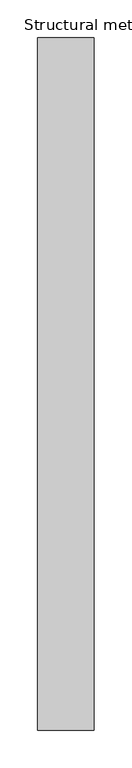
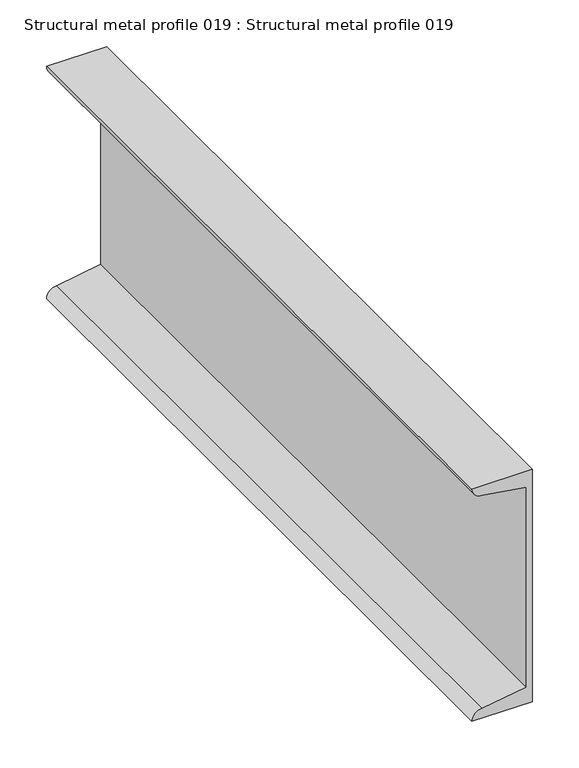
"""IFC4 building model written with IfcOpenShell, lengths in millimetres: proxy geometry, Structural metal profile 019 : Structural metal profile 019."""

from ifc_helpers import new_model, si_unit, point, frame, frame_2d, origin, place, context, project, spatial, polyline, circle_curve, trimmed, segment, composite_curve, outline, extrude, source, transform, mapped, element, save


def structural_metal_profile_019_structural_metal_profile_019_61eedf92(model_context):
    return source(origin(), model_context, "Body", "SweptSolid", [
        extrude(outline(composite_curve([segment(trimmed(circle_curve(frame_2d((2901.95, 39219.7204168)), 12.7254), [point((2901.95, 39206.9950168))], [point((2889.2246, 39219.7204168))], False, "CARTESIAN"), True, "CONTINUOUS"), segment(polyline([(2889.2246, 39219.7204168), (2880.5470649, 39274.5082168), (2618.5529351, 39274.5082168), (2609.8754, 39219.7204168)]), True, "CONTINUOUS"), segment(trimmed(circle_curve(frame_2d((2597.15, 39219.7204168)), 12.7254), [point((2609.8754, 39219.7204168))], [point((2597.15, 39206.9950168))], False, "CARTESIAN"), True, "CONTINUOUS"), segment(polyline([(2597.15, 39206.9950168), (2597.15, 39281.6710168), (2901.95, 39281.6710168), (2901.95, 39206.9950168)]), True, "CONTINUOUS")], self_intersect=False)), frame((0.0, -25196.3529946, 0.0), z_axis=(0.0, 1.0, 0.0), x_axis=(0.0, 0.0, 1.0)), (0.0, 0.0, 1.0), 914.4),
    ])


if __name__ == "__main__":
    model = new_model("IFC4")
    model_context = context("Model", 3, world=origin())
    ifc_project = project(units=[si_unit("LENGTHUNIT", "METRE", prefix="MILLI")], contexts=[model_context])
    site = spatial("IfcSite", under=ifc_project)
    building = spatial("IfcBuilding", under=site)
    placement = place(None, origin())
    structural_metal_profile_019_structural_metal_profile_019_shape = structural_metal_profile_019_structural_metal_profile_019_61eedf92(model_context)
    element("IfcBuildingElementProxy", 1, Name="Structural metal profile 019 : Structural metal profile 019", ObjectType="Structural metal profile 019 : Structural metal profile 019", at=placement, inside=building, context=model_context, shape_type="MappedRepresentation", body=[
        mapped(structural_metal_profile_019_structural_metal_profile_019_shape, transform((0.0, 0.0, 0.0), x_axis=(1.0, 0.0, 0.0), y_axis=(0.0, 1.0, 0.0), z_axis=(0.0, 0.0, 1.0))),
    ])
    save(model, "model.ifc")
